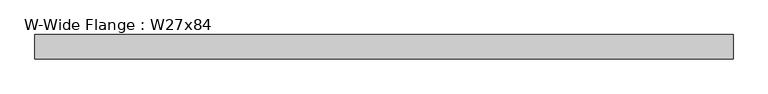
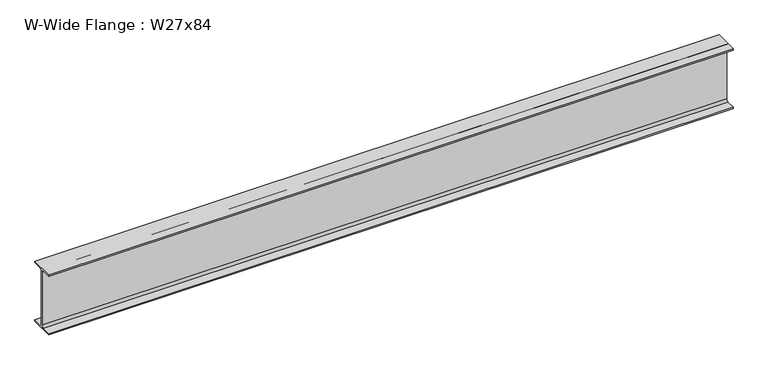
"""IFC4 building model written with IfcOpenShell, lengths in millimetres: beam geometry, W-Wide Flange : W27x84."""

from ifc_helpers import new_model, si_unit, point, frame, frame_2d, origin, place, context, project, spatial, polyline, circle_curve, trimmed, segment, composite_curve, outline, extrude, source, transform, mapped, element, save


def w_wide_flange_w27x84_984cf9ad(model_context):
    return source(origin(), model_context, "Body", "SweptSolid", [
        extrude(outline(composite_curve([segment(polyline([(127.0, -322.834), (127.0, -339.09), (-127.0, -339.09), (-127.0, -322.834), (-29.2735, -322.834)]), True, "CONTINUOUS"), segment(trimmed(circle_curve(frame_2d((-29.2735, -299.4025)), 23.4315), [point((-29.2735, -322.834))], [point((-5.842, -299.4025))], True, "CARTESIAN"), True, "CONTINUOUS"), segment(polyline([(-5.842, -299.4025), (-5.842, 299.4025)]), True, "CONTINUOUS"), segment(trimmed(circle_curve(frame_2d((-29.2735, 299.4025)), 23.4315), [point((-5.842, 299.4025))], [point((-29.2735, 322.834))], True, "CARTESIAN"), True, "CONTINUOUS"), segment(polyline([(-29.2735, 322.834), (-127.0, 322.834), (-127.0, 339.09), (127.0, 339.09), (127.0, 322.834), (29.2735, 322.834)]), True, "CONTINUOUS"), segment(trimmed(circle_curve(frame_2d((29.2735, 299.4025)), 23.4315), [point((29.2735, 322.834))], [point((5.842, 299.4025))], True, "CARTESIAN"), True, "CONTINUOUS"), segment(polyline([(5.842, 299.4025), (5.842, -299.4025)]), True, "CONTINUOUS"), segment(trimmed(circle_curve(frame_2d((29.2735, -299.4025)), 23.4315), [point((5.842, -299.4025))], [point((29.2735, -322.834))], True, "CARTESIAN"), True, "CONTINUOUS"), segment(polyline([(29.2735, -322.834), (127.0, -322.834)]), True, "CONTINUOUS")], self_intersect=False)), frame((-3643.6393023, 0.0, 0.0), z_axis=(1.0, 0.0, 0.0), x_axis=(0.0, 1.0, 0.0)), (0.0, 0.0, 1.0), 7289.8186045),
    ])


if __name__ == "__main__":
    model = new_model("IFC4")
    model_context = context("Model", 3, world=origin())
    ifc_project = project(units=[si_unit("LENGTHUNIT", "METRE", prefix="MILLI")], contexts=[model_context])
    site = spatial("IfcSite", under=ifc_project)
    building = spatial("IfcBuilding", under=site)
    placement = place(None, origin())
    w_wide_flange_w27x84_shape = w_wide_flange_w27x84_984cf9ad(model_context)
    element("IfcBeam", 1, ObjectType="W-Wide Flange : W27x84", at=placement, inside=building, context=model_context, shape_type="MappedRepresentation", body=[
        mapped(w_wide_flange_w27x84_shape, transform((0.0, 0.0, 0.0), x_axis=(1.0, 0.0, 0.0), y_axis=(0.0, 1.0, 0.0), z_axis=(0.0, 0.0, 1.0))),
    ])
    save(model, "model.ifc")
